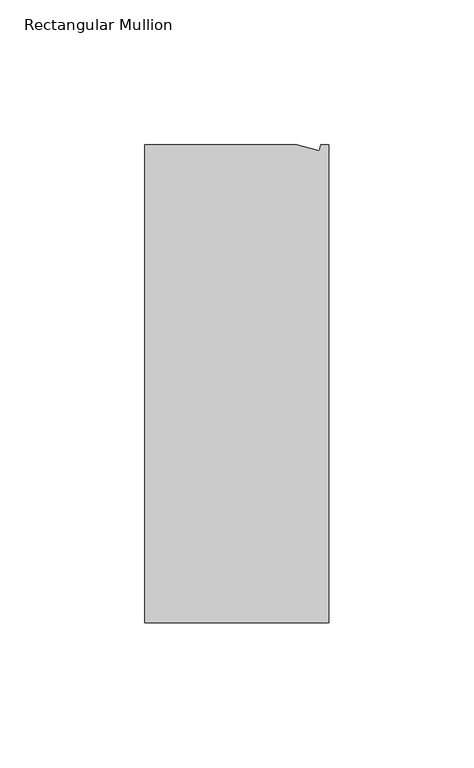
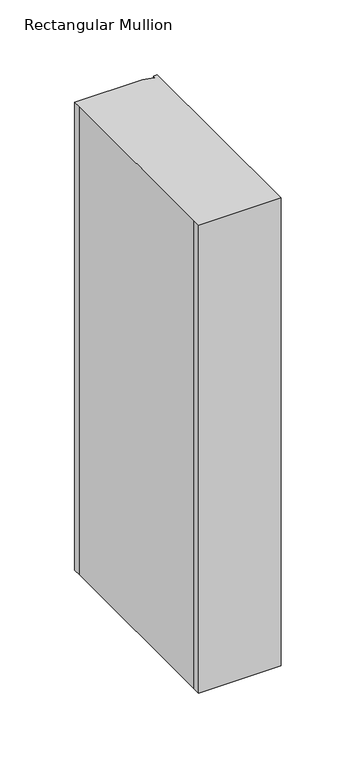
"""IFC4 building model written with IfcOpenShell, lengths in millimetres: member geometry, Rectangular Mullion."""

from ifc_helpers import new_model, si_unit, origin, place, context, project, spatial, faceted_brep, source, transform, mapped, element, save


def rectangular_mullion_ed8d1d65(model_context):
    return source(origin(), model_context, "Body", "Brep", [
        faceted_brep([(0.0, -132.5561012, 0.0), (0.0, 32.5438988, 0.0), (-2.7630634, 32.5438988, 0.0), (-3.3223696, 30.4565397, 0.0), (-11.1125, 32.5438988, 0.0), (-63.5076469, 32.5438988, 0.0), (-63.5076469, 26.1938988, 0.0), (-63.5, -126.2061012, 0.0), (-63.5076469, -132.5561012, 0.0), (0.0, -132.5561012, -381.0), (-63.5076469, -132.5561012, -381.0), (-63.5076469, -126.2061012, -381.0), (-63.5, 26.1938988, -381.0), (-63.5076469, 32.5438988, -381.0), (-11.1125, 32.5438988, -381.0), (-3.3223696, 30.4565397, -381.0), (-2.7630634, 32.5438988, -381.0), (0.0, 32.5438988, -381.0)], [[[0, 1, 2, 3, 4, 5, 6, 7, 8]], [[9, 10, 11, 12, 13, 14, 15, 16, 17]], [[1, 0, 9, 17]], [[2, 1, 17, 16]], [[3, 2, 16, 15]], [[4, 3, 15, 14]], [[5, 4, 14, 13]], [[7, 6, 12, 11]], [[0, 8, 10, 9]], [[6, 5, 13, 12]], [[8, 7, 11, 10]]]),
    ])


if __name__ == "__main__":
    model = new_model("IFC4")
    model_context = context("Model", 3, world=origin())
    ifc_project = project(units=[si_unit("LENGTHUNIT", "METRE", prefix="MILLI")], contexts=[model_context])
    site = spatial("IfcSite", under=ifc_project)
    building = spatial("IfcBuilding", under=site)
    placement = place(None, origin())
    rectangular_mullion_shape = rectangular_mullion_ed8d1d65(model_context)
    element("IfcMember", 1, ObjectType="Rectangular Mullion", at=placement, inside=building, context=model_context, shape_type="MappedRepresentation", body=[
        mapped(rectangular_mullion_shape, transform((0.0, 0.0, 0.0), x_axis=(1.0, 0.0, 0.0), y_axis=(0.0, 1.0, 0.0), z_axis=(0.0, 0.0, 1.0))),
    ])
    save(model, "model.ifc")
